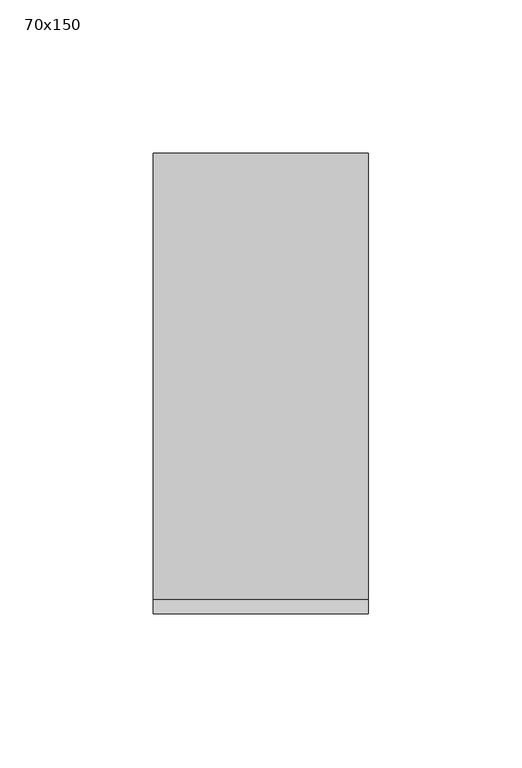
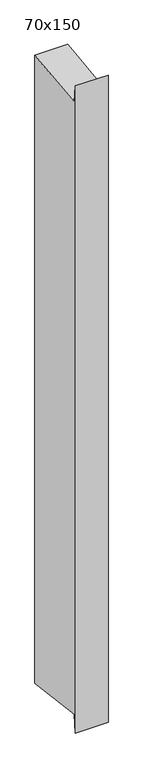
"""IFC4 building model written with IfcOpenShell, lengths in millimetres: member geometry, 70x150."""

from ifc_helpers import new_model, si_unit, frame, origin, place, context, project, spatial, polyline, outline, extrude, source, transform, mapped, element, save


def member_70x150_618c0de7(model_context):
    return source(origin(), model_context, "Body", "SweptSolid", [
        extrude(outline(polyline([(-75.0, 30.4702659), (-70.2424427, -8.7721286), (75.0, 8.8363597), (75.0, -1412.7945963), (-70.2424427, -1395.186108), (-75.0, -1434.4285025), (-75.0, 30.4702659)])), frame((-70.0, 0.0, 0.0), z_axis=(1.0, 0.0, 0.0), x_axis=(0.0, 1.0, 0.0)), (0.0, 0.0, 1.0), 70.0),
    ])


if __name__ == "__main__":
    model = new_model("IFC4")
    model_context = context("Model", 3, world=origin())
    ifc_project = project(units=[si_unit("LENGTHUNIT", "METRE", prefix="MILLI")], contexts=[model_context])
    site = spatial("IfcSite", under=ifc_project)
    building = spatial("IfcBuilding", under=site)
    placement = place(None, origin())
    member_70x150_shape = member_70x150_618c0de7(model_context)
    element("IfcMember", 1, ObjectType="70x150", at=placement, inside=building, context=model_context, shape_type="MappedRepresentation", body=[
        mapped(member_70x150_shape, transform((0.0, 0.0, 0.0), x_axis=(1.0, 0.0, 0.0), y_axis=(0.0, 1.0, 0.0), z_axis=(0.0, 0.0, 1.0))),
    ])
    save(model, "model.ifc")
